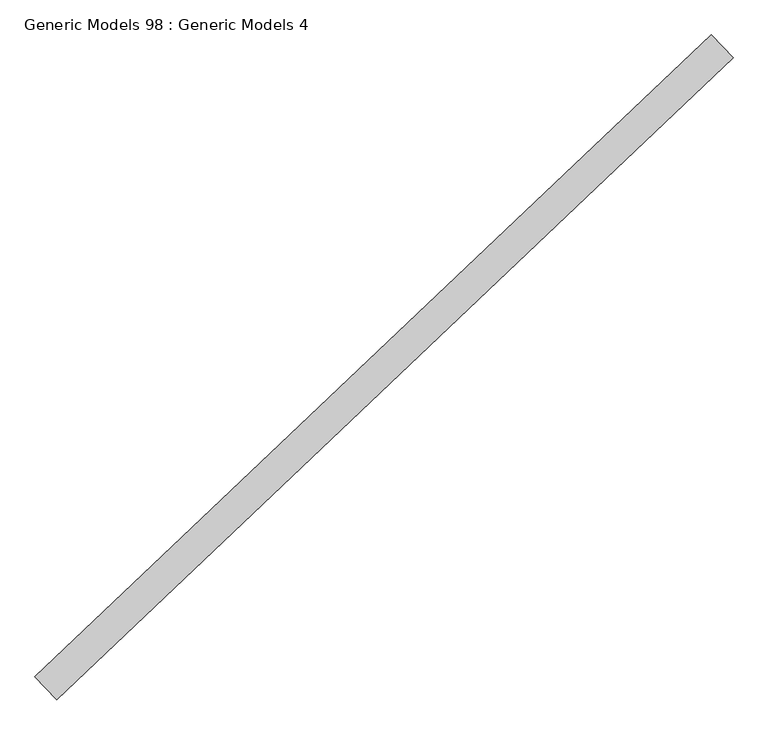
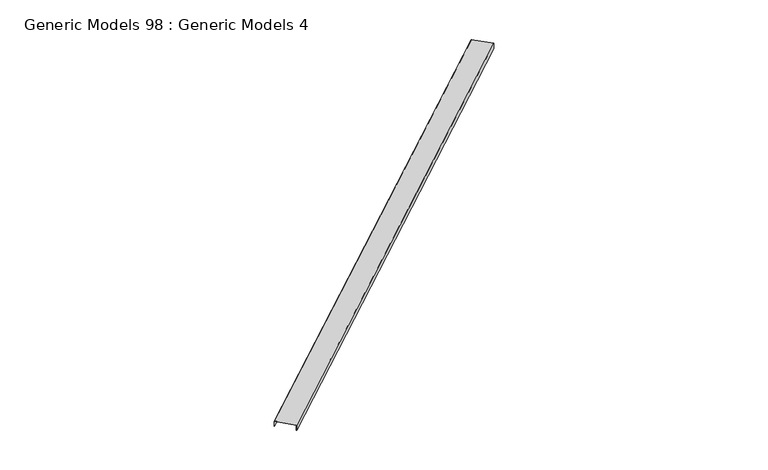
"""IFC4 building model written with IfcOpenShell, lengths in millimetres: proxy geometry, Generic Models 98 : Generic Models 4."""

from ifc_helpers import new_model, si_unit, frame, origin, place, context, project, spatial, polyline, outline, extrude, source, transform, mapped, element, save


def generic_models_98_generic_models_4_6064e6af(model_context):
    return source(origin(), model_context, "Body", "SweptSolid", [
        extrude(outline(polyline([(0.0, 0.0), (0.0, -152.3999999), (-41.275, -152.3999999), (-41.275, -150.8124999), (-1.5875, -150.8124999), (-1.5875, -1.5875), (-41.275, -1.5875), (-41.275, 0.0), (0.0, 0.0)])), frame((98259.0576317, 38958.2974208, 18531.5233985), z_axis=(0.725374371012385, 0.6883545756936514, 0.0), x_axis=(0.0, 0.0, 1.0)), (0.0, 0.0, 1.0), 4530.725),
    ])


if __name__ == "__main__":
    model = new_model("IFC4")
    model_context = context("Model", 3, world=origin())
    ifc_project = project(units=[si_unit("LENGTHUNIT", "METRE", prefix="MILLI")], contexts=[model_context])
    site = spatial("IfcSite", under=ifc_project)
    building = spatial("IfcBuilding", under=site)
    placement = place(None, origin())
    generic_models_98_generic_models_4_shape = generic_models_98_generic_models_4_6064e6af(model_context)
    element("IfcBuildingElementProxy", 1, Name="Generic Models 98 : Generic Models 4", ObjectType="Generic Models 98 : Generic Models 4", at=placement, inside=building, context=model_context, shape_type="MappedRepresentation", body=[
        mapped(generic_models_98_generic_models_4_shape, transform((0.0, 0.0, 0.0), x_axis=(1.0, 0.0, 0.0), y_axis=(0.0, 1.0, 0.0), z_axis=(0.0, 0.0, 1.0))),
    ])
    save(model, "model.ifc")
